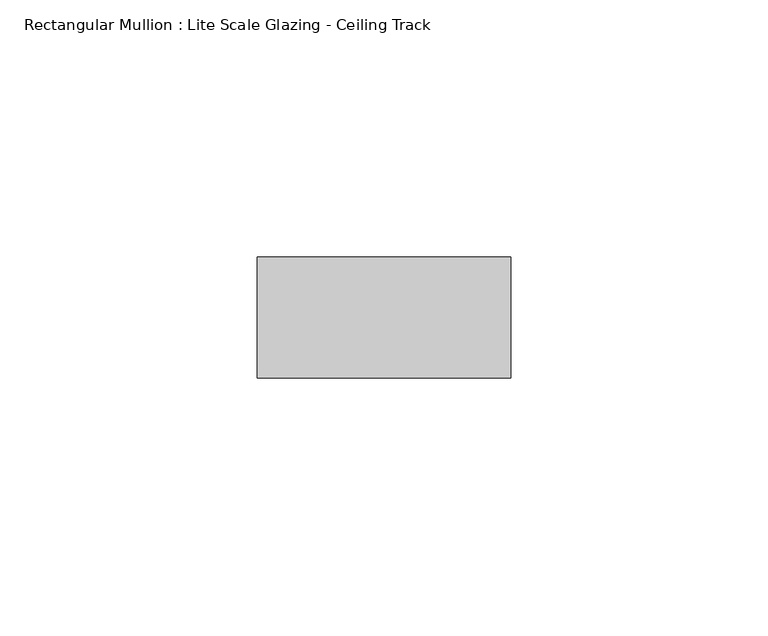
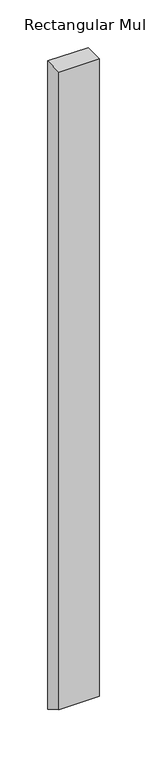
"""IFC4 building model written with IfcOpenShell, lengths in millimetres: member geometry, Rectangular Mullion : Lite Scale Glazing - Ceiling Track."""

import ifcopenshell
import ifcopenshell.guid

model = None  # the IFC model being written
_history = None  # IfcOwnerHistory: only IFC2X3 demands one
_inside = {}  # id of a spatial element -> (the spatial element, [elements in it])
_under = {}  # id of a project, library or spatial element -> (it, [spatial elements below it])
_declared = {}  # id of a project -> (the project, [libraries it declares])
_typed = {}  # id of a type object -> (the type object, [elements of that type])
_made_of = {}  # id of a material, layer set ... -> (it, [elements and type objects made of it])


def new_model(schema):
    """Start an empty IFC model of exactly this schema.

    Asked for "IFC4X3", IfcOpenShell would pick the latest addendum, in which some entities
    have other attributes; the version numbers below select the first issue.
    IFC2X3 requires an IfcOwnerHistory on every rooted entity: one is made here for all.
    """
    global model, _history
    if schema == "IFC4X3":
        model = ifcopenshell.file(schema_version=(4, 3, 0, 0))
    else:
        model = ifcopenshell.file(schema=schema)
    _inside.clear()
    _under.clear()
    _declared.clear()
    _typed.clear()
    _made_of.clear()
    _history = None
    if model.schema == "IFC2X3":
        org = make("IfcOrganization", Name="unknown")
        user = make(
            "IfcPersonAndOrganization",
            ThePerson=make("IfcPerson", FamilyName="unknown"),
            TheOrganization=org,
        )
        app = make(
            "IfcApplication",
            ApplicationDeveloper=org,
            Version="unknown",
            ApplicationFullName="unknown",
            ApplicationIdentifier="unknown",
        )
        _history = make(
            "IfcOwnerHistory",
            OwningUser=user,
            OwningApplication=app,
            ChangeAction="ADDED",
            CreationDate=0,
        )
    return model


def make(cls, **values):
    """One entity of the class cls with the attributes given. An attribute that is None is left unset."""
    return model.create_entity(
        cls, **{name: value for name, value in values.items() if value is not None}
    )


def rooted(cls, **values):
    """An entity with a GlobalId (a new one), such as an element, a storey or a relation."""
    return make(cls, GlobalId=ifcopenshell.guid.new(), OwnerHistory=_history, **values)


def si_unit(unit_type, name, prefix=None):
    """IfcSIUnit, for example si_unit("LENGTHUNIT", "METRE", prefix="MILLI")."""
    return make("IfcSIUnit", UnitType=unit_type, Prefix=prefix, Name=name)


def assignment(units):
    """IfcUnitAssignment: the units of a project."""
    return None if units is None else make("IfcUnitAssignment", Units=units)


def point(xyz):
    """IfcCartesianPoint."""
    return None if xyz is None else make("IfcCartesianPoint", Coordinates=xyz)


def direction(xyz):
    """IfcDirection."""
    return None if xyz is None else make("IfcDirection", DirectionRatios=xyz)


def frame(location, z_axis=None, x_axis=None):
    """IfcAxis2Placement3D, a coordinate frame: its origin and axes. An axis left out is left unset."""
    return make(
        "IfcAxis2Placement3D",
        Location=point(location),
        Axis=direction(z_axis),
        RefDirection=direction(x_axis),
    )


def origin():
    """The frame at (0, 0, 0) with its axes left unset."""
    return frame((0.0, 0.0, 0.0))


def place(relative_to, where):
    """IfcLocalPlacement: puts the frame where relative to a parent placement (None: the world)."""
    return make(
        "IfcLocalPlacement", PlacementRelTo=relative_to, RelativePlacement=where
    )


def context(
    kind, dimensions, precision=None, world=None, true_north=None, identifier=None
):
    """IfcGeometricRepresentationContext, for example the 3D "Model" context."""
    return make(
        "IfcGeometricRepresentationContext",
        ContextIdentifier=identifier,
        ContextType=kind,
        CoordinateSpaceDimension=dimensions,
        Precision=precision,
        WorldCoordinateSystem=world,
        TrueNorth=true_north,
    )


def project(units=None, contexts=None):
    """IfcProject with its units and contexts."""
    return rooted(
        "IfcProject",
        Name="project",
        RepresentationContexts=contexts,
        UnitsInContext=assignment(units),
    )


def spatial(cls, under=None, at=None, **own):
    """A site, building, storey or space (cls), placed at a placement, below another one or the project."""
    s = rooted(cls, ObjectPlacement=at, **own)
    if under is not None:
        _under.setdefault(under.id(), (under, []))[1].append(s)
    return s


def polyline(points):
    """IfcPolyline through the points."""
    return make("IfcPolyline", Points=[point(p) for p in points])


def outline(outer, holes=None, kind="AREA"):
    """IfcArbitraryClosedProfileDef: a profile drawn as a closed curve; with holes, ...WithVoids."""
    if holes is None:
        return make("IfcArbitraryClosedProfileDef", ProfileType=kind, OuterCurve=outer)
    return make(
        "IfcArbitraryProfileDefWithVoids",
        ProfileType=kind,
        OuterCurve=outer,
        InnerCurves=holes,
    )


def extrude(swept, where, along, depth):
    """IfcExtrudedAreaSolid: the profile swept, set in the frame where, extruded along a direction by depth."""
    return make(
        "IfcExtrudedAreaSolid",
        SweptArea=swept,
        Position=where,
        ExtrudedDirection=direction(along),
        Depth=depth,
    )


def shape(context_of_items, identifier, shape_type, items):
    """IfcShapeRepresentation: the items that make up one representation, for example the "Body"."""
    return make(
        "IfcShapeRepresentation",
        ContextOfItems=context_of_items,
        RepresentationIdentifier=identifier,
        RepresentationType=shape_type,
        Items=items,
    )


def source(mapping_origin, context_of_items, identifier, shape_type, items):
    """IfcRepresentationMap: a shape defined once, which mapped items show again and again."""
    return make(
        "IfcRepresentationMap",
        MappingOrigin=mapping_origin,
        MappedRepresentation=shape(context_of_items, identifier, shape_type, items),
    )


def transform(
    local_origin,
    x_axis=None,
    y_axis=None,
    z_axis=None,
    scale=None,
    scale2=None,
    scale3=None,
    uniform=True,
):
    """IfcCartesianTransformationOperator3D, or its non-uniform kind. x_axis, y_axis, z_axis: its Axis1, 2, 3."""
    if uniform:
        return make(
            "IfcCartesianTransformationOperator3D",
            Axis1=direction(x_axis),
            Axis2=direction(y_axis),
            LocalOrigin=point(local_origin),
            Scale=scale,
            Axis3=direction(z_axis),
        )
    return make(
        "IfcCartesianTransformationOperator3DnonUniform",
        Axis1=direction(x_axis),
        Axis2=direction(y_axis),
        LocalOrigin=point(local_origin),
        Scale=scale,
        Axis3=direction(z_axis),
        Scale2=scale2,
        Scale3=scale3,
    )


def mapped(mapping_source, mapping_target):
    """IfcMappedItem: shows the shape of a source again, moved by a transform."""
    return make(
        "IfcMappedItem", MappingSource=mapping_source, MappingTarget=mapping_target
    )


def made_of(thing, what):
    """Note that an element or type object is made of a material, layer set ...; save() writes the relation."""
    if what is not None:
        _made_of.setdefault(what.id(), (what, []))[1].append(thing)
    return thing


def element(
    cls,
    number,
    at=None,
    inside=None,
    cuts=None,
    type_object=None,
    material=None,
    context=None,
    identifier="Body",
    shape_type=None,
    held_by="IfcProductDefinitionShape",
    body=None,
    shapes=None,
    **own,
):
    """One element of the class cls, such as IfcWall. Its Tag is "e" and its number.

    at: its placement. inside: the storey or other place that contains it. cuts: it is an
    opening in that element (IfcRelVoidsElement). A single representation is given by context,
    identifier, shape_type and body (its items); several are given by shapes. held_by: the class
    of the entity that holds the representations. save() writes the other relations.
    """
    e = rooted(cls, Tag="e%d" % number, ObjectPlacement=at, **own)
    if body is not None:
        shapes = [shape(context, identifier, shape_type, body)]
    if shapes is not None:
        e.Representation = make(held_by, Representations=shapes)
    if inside is not None:
        _inside.setdefault(inside.id(), (inside, []))[1].append(e)
    if cuts is not None:
        rooted(
            "IfcRelVoidsElement", RelatingBuildingElement=cuts, RelatedOpeningElement=e
        )
    if type_object is not None:
        _typed.setdefault(type_object.id(), (type_object, []))[1].append(e)
    return made_of(e, material)


def aggregate(whole, parts):
    """IfcRelAggregates: a whole, such as a stair, and the parts it consists of."""
    return rooted("IfcRelAggregates", RelatingObject=whole, RelatedObjects=parts)


def save(model, path):
    """Write the relations noted so far, then the file.

    IfcRelAggregates (storeys below a building ...), IfcRelContainedInSpatialStructure (elements
    in a storey), IfcRelDefinesByType, IfcRelAssociatesMaterial and IfcRelDeclares: one each for
    every whole, place, type object, material and project.
    """
    for whole, parts in _under.values():
        aggregate(whole, parts)
    for where, things in _inside.values():
        rooted(
            "IfcRelContainedInSpatialStructure",
            RelatedElements=things,
            RelatingStructure=where,
        )
    for kind, things in _typed.values():
        rooted("IfcRelDefinesByType", RelatedObjects=things, RelatingType=kind)
    for what, things in _made_of.values():
        rooted("IfcRelAssociatesMaterial", RelatedObjects=things, RelatingMaterial=what)
    for by, libraries in _declared.values():
        rooted("IfcRelDeclares", RelatingContext=by, RelatedDefinitions=libraries)
    model.write(path)


def rectangular_mullion_lite_scale_glazing_ceiling_track_a4216992(model_context):
    return source(origin(), model_context, "Body", "SweptSolid", [
        extrude(outline(polyline([(-11.7474999, 0.0), (11.7474999, 0.0), (11.7474999, -832.2824222), (-11.7474999, -818.7175778), (-11.7474999, 0.0)])), frame((-49.276, 0.0, 0.0), z_axis=(1.0, 0.0, 0.0), x_axis=(0.0, 1.0, 0.0)), (0.0, 0.0, 1.0), 49.276),
    ])


if __name__ == "__main__":
    model = new_model("IFC4")
    model_context = context("Model", 3, world=origin())
    ifc_project = project(units=[si_unit("LENGTHUNIT", "METRE", prefix="MILLI")], contexts=[model_context])
    site = spatial("IfcSite", under=ifc_project)
    building = spatial("IfcBuilding", under=site)
    placement = place(None, origin())
    rectangular_mullion_lite_scale_glazing_ceiling_track_shape = rectangular_mullion_lite_scale_glazing_ceiling_track_a4216992(model_context)
    element("IfcMember", 1, ObjectType="Rectangular Mullion : Lite Scale Glazing - Ceiling Track", at=placement, inside=building, context=model_context, shape_type="MappedRepresentation", body=[
        mapped(rectangular_mullion_lite_scale_glazing_ceiling_track_shape, transform((0.0, 0.0, 0.0), x_axis=(1.0, 0.0, 0.0), y_axis=(0.0, 1.0, 0.0), z_axis=(0.0, 0.0, 1.0))),
    ])
    save(model, "model.ifc")
